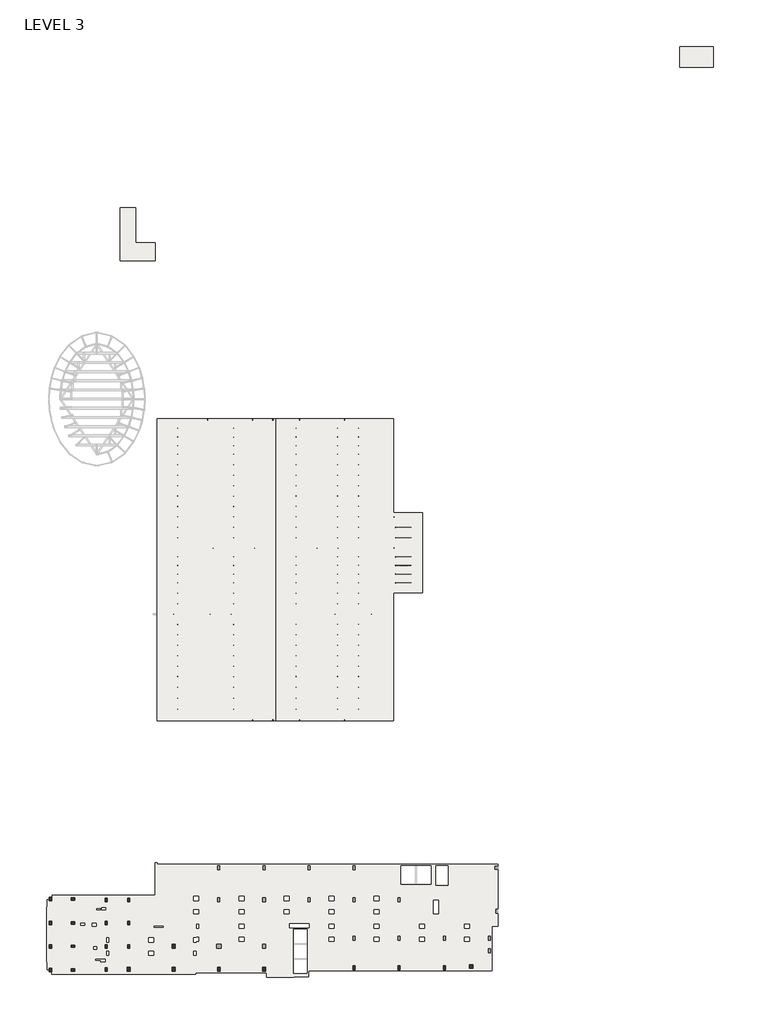
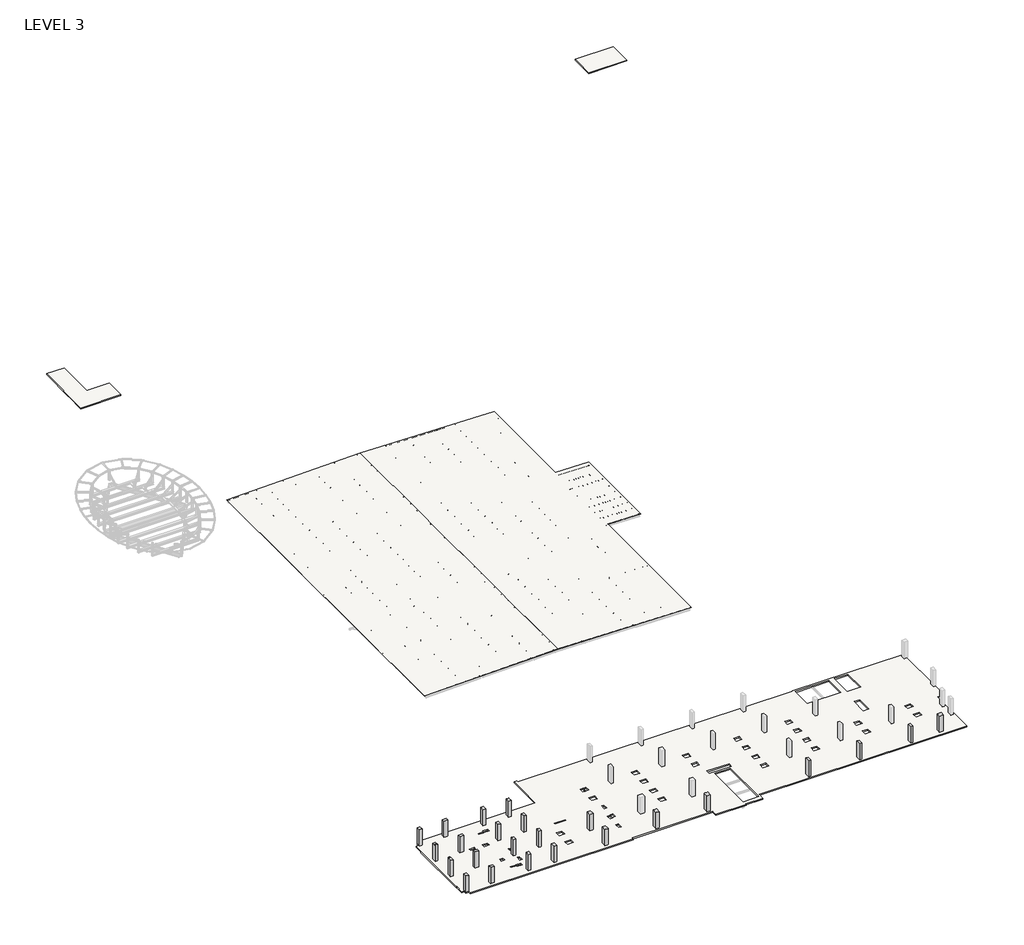
# One storey, part 1 of 4: 24 columns, 5 slabs.
"""IFC4 building model written with IfcOpenShell, lengths in millimetres."""

from ifc_helpers import new_model, si_unit, frame, origin, place, context, project, spatial, polyline, outline, extrude, faceted_brep, element, save

model = new_model("IFC4")

# Units and contexts
model_context = context("Model", 3, world=origin())
ifc_project = project(units=[si_unit("LENGTHUNIT", "METRE", prefix="MILLI")], contexts=[model_context])

# Site, building, storey
site = spatial("IfcSite", under=ifc_project)
building = spatial("IfcBuilding", under=site)
storey = spatial("IfcBuildingStorey", under=building, Name="LEVEL 3", Elevation=10363.2)

# Columns
placement = place(None, origin())
element("IfcColumn", 1, ObjectType="UC Concrete-Rectangular-Column : 14 x 28", at=placement, inside=storey, context=model_context, shape_type="SweptSolid", body=[
    extrude(outline(polyline([(56601.2389942, -32822.1107149), (56601.2389942, -33533.3107149), (56245.6389942, -33533.3107149), (56245.6389942, -32822.1107149), (56601.2389942, -32822.1107149)])), frame((0.0, 0.0, 10363.2), z_axis=(0.0, 0.0, 1.0), x_axis=(1.0, 0.0, 0.0)), (0.0, 0.0, 1.0), 2667.0),
])
element("IfcColumn", 2, ObjectType="UC Concrete-Rectangular-Column : 14 x 28", at=placement, inside=storey, context=model_context, shape_type="SweptSolid", body=[
    extrude(outline(polyline([(40751.6389942, -32822.1107149), (40751.6389942, -33533.3107149), (40396.0389942, -33533.3107149), (40396.0389942, -32822.1107149), (40751.6389942, -32822.1107149)])), frame((0.0, 0.0, 10363.2), z_axis=(0.0, 0.0, 1.0), x_axis=(1.0, 0.0, 0.0)), (0.0, 0.0, 1.0), 2667.0),
])
element("IfcColumn", 3, ObjectType="UC Concrete-Rectangular-Column : 14 x 28", at=placement, inside=storey, context=model_context, shape_type="SweptSolid", body=[
    extrude(outline(polyline([(48676.4389942, -32822.1107149), (48676.4389942, -33533.3107149), (48320.8389942, -33533.3107149), (48320.8389942, -32822.1107149), (48676.4389942, -32822.1107149)])), frame((0.0, 0.0, 10363.2), z_axis=(0.0, 0.0, 1.0), x_axis=(1.0, 0.0, 0.0)), (0.0, 0.0, 1.0), 2667.0),
])
element("IfcColumn", 4, ObjectType="UC Concrete-Rectangular-Column : 16 x 24", at=placement, inside=storey, context=model_context, shape_type="SweptSolid", body=[
    extrude(outline(polyline([(-12562.9610058, -20833.3107149), (-12562.9610058, -21442.9107149), (-12969.3610058, -21442.9107149), (-12969.3610058, -20833.3107149), (-12562.9610058, -20833.3107149)])), frame((0.0, 0.0, 10363.2), z_axis=(0.0, 0.0, 1.0), x_axis=(1.0, 0.0, 0.0)), (0.0, 0.0, 1.0), 2667.0),
])
element("IfcColumn", 5, ObjectType="UC Concrete-Rectangular-Column : 16 x 24", at=placement, inside=storey, context=model_context, shape_type="Brep", body=[
    faceted_brep([(1153.0389942, -20985.7107149, 10363.2), (1153.0389942, -21595.3107149, 10363.2), (746.6389942, -21595.3107149, 10363.2), (746.6389942, -20985.7107149, 10363.2), (1153.0389942, -20985.7107149, 12750.8), (1153.0389942, -20985.7107149, 13030.2), (1153.0389942, -21017.4903994, 13030.2), (1153.0389942, -21595.3107149, 13030.2), (746.6389942, -21595.3107149, 13030.2), (746.6389942, -20985.7107149, 13030.2), (1102.2389942, -20985.7107149, 13030.2)], [[[0, 1, 2, 3]], [[1, 0, 4, 5, 6, 7]], [[2, 1, 7, 8]], [[3, 2, 8, 9]], [[0, 3, 9, 10, 5, 4]], [[7, 6, 5, 10, 9, 8]]]),
])
element("IfcColumn", 6, ObjectType="UC Concrete-Rectangular-Column : 16 x 24", at=placement, inside=storey, context=model_context, shape_type="SweptSolid", body=[
    extrude(outline(polyline([(-9108.5610058, -20934.9107149), (-8498.9610058, -20934.9107149), (-8498.9610058, -21341.3107149), (-9108.5610058, -21341.3107149), (-9108.5610058, -20934.9107149)])), frame((0.0, 0.0, 10363.2), z_axis=(0.0, 0.0, 1.0), x_axis=(1.0, 0.0, 0.0)), (0.0, 0.0, 1.0), 2667.0),
])
element("IfcColumn", 7, ObjectType="UC Concrete-Rectangular-Column : 16 x 24", at=placement, inside=storey, context=model_context, shape_type="SweptSolid", body=[
    extrude(outline(polyline([(-9108.5610058, -25125.9107149), (-8498.9610058, -25125.9107149), (-8498.9610058, -25532.3107149), (-9108.5610058, -25532.3107149), (-9108.5610058, -25125.9107149)])), frame((0.0, 0.0, 10363.2), z_axis=(0.0, 0.0, 1.0), x_axis=(1.0, 0.0, 0.0)), (0.0, 0.0, 1.0), 2667.0),
])
element("IfcColumn", 8, ObjectType="UC Concrete-Rectangular-Column : 16 x 24", at=placement, inside=storey, context=model_context, shape_type="SweptSolid", body=[
    extrude(outline(polyline([(1153.0389942, -25024.3107149), (1153.0389942, -25633.9107149), (746.6389942, -25633.9107149), (746.6389942, -25024.3107149), (1153.0389942, -25024.3107149)])), frame((0.0, 0.0, 10363.2), z_axis=(0.0, 0.0, 1.0), x_axis=(1.0, 0.0, 0.0)), (0.0, 0.0, 1.0), 2667.0),
])
element("IfcColumn", 9, ObjectType="UC Concrete-Rectangular-Column : 16 x 24", at=placement, inside=storey, context=model_context, shape_type="SweptSolid", body=[
    extrude(outline(polyline([(-9108.5610058, -29240.7107149), (-8498.9610058, -29240.7107149), (-8498.9610058, -29647.1107149), (-9108.5610058, -29647.1107149), (-9108.5610058, -29240.7107149)])), frame((0.0, 0.0, 10363.2), z_axis=(0.0, 0.0, 1.0), x_axis=(1.0, 0.0, 0.0)), (0.0, 0.0, 1.0), 2667.0),
])
element("IfcColumn", 10, ObjectType="UC Concrete-Rectangular-Column : 16 x 24", at=placement, inside=storey, context=model_context, shape_type="SweptSolid", body=[
    extrude(outline(polyline([(1153.0389942, -29139.1107149), (1153.0389942, -29748.7107149), (746.6389942, -29748.7107149), (746.6389942, -29139.1107149), (1153.0389942, -29139.1107149)])), frame((0.0, 0.0, 10363.2), z_axis=(0.0, 0.0, 1.0), x_axis=(1.0, 0.0, 0.0)), (0.0, 0.0, 1.0), 2667.0),
])
element("IfcColumn", 11, ObjectType="UC Concrete-Rectangular-Column : 16 x 24", at=placement, inside=storey, context=model_context, shape_type="SweptSolid", body=[
    extrude(outline(polyline([(-12562.9610058, -33330.1107149), (-12562.9610058, -33939.7107149), (-12969.3610058, -33939.7107149), (-12969.3610058, -33330.1107149), (-12562.9610058, -33330.1107149)])), frame((0.0, 0.0, 10363.2), z_axis=(0.0, 0.0, 1.0), x_axis=(1.0, 0.0, 0.0)), (0.0, 0.0, 1.0), 2667.0),
])
element("IfcColumn", 12, ObjectType="UC Concrete-Rectangular-Column : 16 x 24", at=placement, inside=storey, context=model_context, shape_type="SweptSolid", body=[
    extrude(outline(polyline([(-9108.5610058, -33431.7107149), (-8498.9610058, -33431.7107149), (-8498.9610058, -33838.1107149), (-9108.5610058, -33838.1107149), (-9108.5610058, -33431.7107149)])), frame((0.0, 0.0, 10363.2), z_axis=(0.0, 0.0, 1.0), x_axis=(1.0, 0.0, 0.0)), (0.0, 0.0, 1.0), 2667.0),
])
element("IfcColumn", 13, ObjectType="UC Concrete-Rectangular-Column : 16 x 24", at=placement, inside=storey, context=model_context, shape_type="Brep", body=[
    faceted_brep([(-12562.9610058, -29139.1107149, 10363.2), (-12562.9610058, -29748.7107149, 10363.2), (-12969.3610058, -29748.7107149, 10363.2), (-12969.3610058, -29139.1107149, 10363.2), (-12562.9610058, -29139.1107149, 13030.2), (-12562.9610058, -29748.7107149, 13030.2), (-12969.3610058, -29748.7107149, 13030.2), (-12969.3610058, -29183.5607149, 13030.2), (-12969.3610058, -29183.5607149, 13208.0), (-12969.3610058, -29139.1107149, 13208.0), (-12766.1169468, -29139.1107149, 13208.0), (-12766.1169468, -29139.1107149, 13030.2), (-12766.1169468, -29183.5607149, 13208.0), (-12766.1169468, -29183.5607149, 13030.2)], [[[0, 1, 2, 3]], [[1, 0, 4, 5]], [[2, 1, 5, 6]], [[3, 2, 6, 7, 8, 9]], [[0, 3, 9, 10, 11, 4]], [[10, 9, 8, 12]], [[11, 13, 7, 6, 5, 4]], [[13, 12, 8, 7]], [[12, 13, 11, 10]]]),
])
element("IfcColumn", 14, ObjectType="UC Concrete-Rectangular-Column : 16 x 24", at=placement, inside=storey, context=model_context, shape_type="Brep", body=[
    faceted_brep([(-12562.9610058, -25024.3107149, 10363.2), (-12562.9610058, -25633.9107149, 10363.2), (-12969.3610058, -25633.9107149, 10363.2), (-12969.3610058, -25024.3107149, 10363.2), (-12562.9610058, -25024.3107149, 13030.2), (-12562.9610058, -25633.9107149, 13030.2), (-12766.1169468, -25633.9107149, 13030.2), (-12766.1169468, -25633.9107149, 13208.0), (-12969.3610058, -25633.9107149, 13208.0), (-12969.3610058, -25589.4607149, 13208.0), (-12969.3610058, -25589.4607149, 13030.2), (-12969.3610058, -25024.3107149, 13030.2), (-12766.1169468, -25589.4607149, 13208.0), (-12766.1169468, -25589.4607149, 13030.2)], [[[0, 1, 2, 3]], [[1, 0, 4, 5]], [[2, 1, 5, 6, 7, 8]], [[3, 2, 8, 9, 10, 11]], [[0, 3, 11, 4]], [[9, 8, 7, 12]], [[10, 13, 6, 5, 4, 11]], [[13, 12, 7, 6]], [[12, 13, 10, 9]]]),
])
element("IfcColumn", 15, ObjectType="UC Concrete-Rectangular-Column : 16 x 24", at=placement, inside=storey, context=model_context, shape_type="SweptSolid", body=[
    extrude(outline(polyline([(-2809.3610058, -20985.7107149), (-2809.3610058, -21595.3107149), (-3215.7610058, -21595.3107149), (-3215.7610058, -20985.7107149), (-2809.3610058, -20985.7107149)])), frame((0.0, 0.0, 10363.2), z_axis=(0.0, 0.0, 1.0), x_axis=(1.0, 0.0, 0.0)), (0.0, 0.0, 1.0), 2667.0),
])
element("IfcColumn", 16, ObjectType="UC Concrete-Rectangular-Column : 16 x 24", at=placement, inside=storey, context=model_context, shape_type="SweptSolid", body=[
    extrude(outline(polyline([(-2809.3610058, -25024.2962939), (-2809.3610058, -25633.8962939), (-3215.7610058, -25633.8962939), (-3215.7610058, -25024.2962939), (-2809.3610058, -25024.2962939)])), frame((0.0, 0.0, 10363.2), z_axis=(0.0, 0.0, 1.0), x_axis=(1.0, 0.0, 0.0)), (0.0, 0.0, 1.0), 2667.0),
])
element("IfcColumn", 17, ObjectType="UC Concrete-Rectangular-Column : 16 x 24", at=placement, inside=storey, context=model_context, shape_type="SweptSolid", body=[
    extrude(outline(polyline([(-2809.3610058, -29139.0962158), (-2809.3610058, -29748.6962158), (-3215.7610058, -29748.6962158), (-3215.7610058, -29139.0962158), (-2809.3610058, -29139.0962158)])), frame((0.0, 0.0, 10363.2), z_axis=(0.0, 0.0, 1.0), x_axis=(1.0, 0.0, 0.0)), (0.0, 0.0, 1.0), 2667.0),
])
element("IfcColumn", 18, ObjectType="UC Concrete-Rectangular-Column : 16 x 24", at=placement, inside=storey, context=model_context, shape_type="SweptSolid", body=[
    extrude(outline(polyline([(-2809.3610058, -33177.7107149), (-2809.3610058, -33787.3107149), (-3215.7610058, -33787.3107149), (-3215.7610058, -33177.7107149), (-2809.3610058, -33177.7107149)])), frame((0.0, 0.0, 10363.2), z_axis=(0.0, 0.0, 1.0), x_axis=(1.0, 0.0, 0.0)), (0.0, 0.0, 1.0), 2667.0),
])
element("IfcColumn", 19, ObjectType="UC Concrete-Rectangular-Column : 20 x 28", at=placement, inside=storey, context=model_context, shape_type="Brep", body=[
    faceted_brep([(17053.4389942, -33126.9107149, 10363.2), (17053.4389942, -33838.1107149, 10363.2), (16545.4389942, -33838.1107149, 10363.2), (16545.4389942, -33126.9107149, 10363.2), (17053.4389942, -33126.9107149, 13030.2), (17053.4389942, -33838.1107149, 13030.2), (17002.6389942, -33838.1107149, 13030.2), (16596.2389942, -33838.1107149, 13030.2), (16545.4389942, -33838.1107149, 13030.2), (16545.4389942, -33126.9107149, 13030.2), (16596.2389942, -33126.9107149, 13030.2), (17002.6389942, -33126.9107149, 13030.2)], [[[0, 1, 2, 3]], [[1, 0, 4, 5]], [[2, 1, 5, 6, 7, 8]], [[3, 2, 8, 9]], [[0, 3, 9, 10, 11, 4]], [[5, 4, 11, 10, 9, 8, 7, 6]]]),
])
element("IfcColumn", 20, ObjectType="UC Concrete-Rectangular-Column : 20 x 28", at=placement, inside=storey, context=model_context, shape_type="SweptSolid", body=[
    extrude(outline(polyline([(9128.6389942, -29088.3107149), (9128.6389942, -29799.5107149), (8620.6389942, -29799.5107149), (8620.6389942, -29088.3107149), (9128.6389942, -29088.3107149)])), frame((0.0, 0.0, 10363.2), z_axis=(0.0, 0.0, 1.0), x_axis=(1.0, 0.0, 0.0)), (0.0, 0.0, 1.0), 2667.0),
])
element("IfcColumn", 21, ObjectType="UC Concrete-Rectangular-Column : 20 x 28", at=placement, inside=storey, context=model_context, shape_type="Brep", body=[
    faceted_brep([(9128.6389942, -33126.9107149, 10363.2), (9128.6389942, -33838.1107149, 10363.2), (8620.6389942, -33838.1107149, 10363.2), (8620.6389942, -33126.9107149, 10363.2), (9128.6389942, -33126.9107149, 13030.2), (9128.6389942, -33838.1107149, 13030.2), (9077.8389942, -33838.1107149, 13030.2), (8671.4389942, -33838.1107149, 13030.2), (8620.6389942, -33838.1107149, 13030.2), (8620.6389942, -33126.9107149, 13030.2), (8671.4389942, -33126.9107149, 13030.2), (9077.8389942, -33126.9107149, 13030.2)], [[[0, 1, 2, 3]], [[1, 0, 4, 5]], [[2, 1, 5, 6, 7, 8]], [[3, 2, 8, 9]], [[0, 3, 9, 10, 11, 4]], [[5, 4, 11, 10, 9, 8, 7, 6]]]),
])
element("IfcColumn", 22, ObjectType="UC Concrete-Rectangular-Column : 20 x 28", at=placement, inside=storey, context=model_context, shape_type="Brep", body=[
    faceted_brep([(24978.2389942, -33126.9107149, 10363.2), (24978.2389942, -33838.1107149, 10363.2), (24470.2389942, -33838.1107149, 10363.2), (24470.2389942, -33126.9107149, 10363.2), (24978.2389942, -33126.9107149, 13030.2), (24978.2389942, -33838.1107149, 13030.2), (24927.4389942, -33838.1107149, 13030.2), (24521.0389942, -33838.1107149, 13030.2), (24470.2389942, -33838.1107149, 13030.2), (24470.2389942, -33126.9107149, 13030.2), (24521.0389942, -33126.9107149, 13030.2), (24927.4389942, -33126.9107149, 13030.2)], [[[0, 1, 2, 3]], [[1, 0, 4, 5]], [[2, 1, 5, 6, 7, 8]], [[3, 2, 8, 9]], [[0, 3, 9, 10, 11, 4]], [[5, 4, 11, 10, 9, 8, 7, 6]]]),
])
element("IfcColumn", 23, ObjectType="UC Concrete-Rectangular-Column : 20 x 28", at=placement, inside=storey, context=model_context, shape_type="Brep", body=[
    faceted_brep([(1203.8389942, -33126.9107149, 10363.2), (1203.8389942, -33838.1107149, 10363.2), (695.8389942, -33838.1107149, 10363.2), (695.8389942, -33126.9107149, 10363.2), (1203.8389942, -33126.9107149, 13030.2), (1203.8389942, -33838.1107149, 13030.2), (1153.0389942, -33838.1107149, 13030.2), (746.6389942, -33838.1107149, 13030.2), (695.8389942, -33838.1107149, 13030.2), (695.8389942, -33126.9107149, 13030.2), (746.6389942, -33126.9107149, 13030.2), (1153.0389942, -33126.9107149, 13030.2)], [[[0, 1, 2, 3]], [[1, 0, 4, 5]], [[2, 1, 5, 6, 7, 8]], [[3, 2, 8, 9]], [[0, 3, 9, 10, 11, 4]], [[5, 4, 11, 10, 9, 8, 7, 6]]]),
])
element("IfcColumn", 24, ObjectType="UC Concrete-Rectangular-Column : 24 x 24", at=placement, inside=storey, context=model_context, shape_type="SweptSolid", body=[
    extrude(outline(polyline([(61453.141098, -32695.1107149), (61453.141098, -33304.7107149), (60843.541098, -33304.7107149), (60843.541098, -32695.1107149), (61453.141098, -32695.1107149)])), frame((0.0, 0.0, 10363.2), z_axis=(0.0, 0.0, 1.0), x_axis=(1.0, 0.0, 0.0)), (0.0, 0.0, 1.0), 2667.0),
])

# Slabs
element("IfcSlab", 25, ObjectType="1 1/2\" Metal Roof Deck", at=placement, inside=storey, context=model_context, shape_type="Brep", body=[
    faceted_brep([(47458.8264942, 46680.8395377, 9178.6191247), (52603.9139942, 46680.8395377, 9071.7432832), (52603.9139942, 32684.5078896, 9071.7432832), (47458.8264942, 32684.5078896, 9178.6191247), (47458.8264942, 10154.6368517, 9178.6191247), (26743.1579942, 10154.6368517, 9608.9333815), (26743.1579942, 63189.8368517, 9608.9333815), (47458.8264942, 63189.8368517, 9178.6191247), (47458.8264942, 46680.8395377, 9216.7273437), (47458.8264942, 63189.8368517, 9216.7273437), (26743.1579942, 63189.8368517, 9647.0416005), (26743.1579942, 10154.6368517, 9647.0416005), (47458.8264942, 10154.6368517, 9216.7273437), (47458.8264942, 32684.5078896, 9216.7273437), (52603.9139942, 32684.5078896, 9109.8515022), (52603.9139942, 46680.8395377, 9109.8515022)], [[[0, 1, 2, 3, 4, 5, 6, 7]], [[8, 9, 10, 11, 12, 13, 14, 15]], [[5, 4, 12, 11]], [[6, 5, 11, 10]], [[7, 6, 10, 9]], [[0, 7, 9, 8]], [[1, 0, 8, 15]], [[2, 1, 15, 14]], [[3, 2, 14, 13]], [[4, 3, 13, 12]]]),
])
element("IfcSlab", 26, ObjectType="1 1/2\" Metal Roof Deck", at=placement, inside=storey, context=model_context, shape_type="SweptSolid", body=[
    extrude(outline(polyline([(9178.6191247, 5979.0389942), (9609.9398149, 26743.1579942), (9648.0480339, 26743.1579942), (9216.7273437, 5979.0389942), (9178.6191247, 5979.0389942)])), frame((0.0, 10154.6368517, 0.0), z_axis=(0.0, 1.0, 0.0), x_axis=(0.0, 0.0, 1.0)), (0.0, 0.0, 1.0), 53035.2),
])
element("IfcSlab", 27, ObjectType="6\" precast slab", at=placement, inside=storey, context=model_context, shape_type="SweptSolid", body=[
    extrude(outline(polyline([(103667.4389942, 128569.4740607), (103667.4389942, 124911.8740607), (97774.6389942, 124911.8740607), (97774.6389942, 128569.4740607), (103667.4389942, 128569.4740607)])), frame((0.0, 0.0, 9601.2), z_axis=(0.0, 0.0, 1.0), x_axis=(1.0, 0.0, 0.0)), (0.0, 0.0, 1.0), 152.4),
])
element("IfcSlab", 28, ObjectType="6\" precast slab", at=placement, inside=storey, context=model_context, shape_type="Brep", body=[
    faceted_brep([(5623.4389942, 94127.0740607, 9601.2), (5623.4389942, 90977.4740607, 9601.2), (-574.1610058, 90977.4740607, 9601.2), (-574.1610058, 94127.0740607, 9601.2), (-574.1610058, 94330.2740607, 9601.2), (-574.1610058, 100223.0740607, 9601.2), (2169.0389942, 100223.0740607, 9601.2), (2169.0389942, 94330.2740607, 9601.2), (2169.0389942, 94127.0740607, 9601.2), (5623.4389942, 94127.0740607, 9753.6), (2169.0389942, 94127.0740607, 9753.6), (2169.0389942, 100223.0740607, 9753.6), (-574.1610058, 100223.0740607, 9753.6), (-574.1610058, 90977.4740607, 9753.6), (5623.4389942, 90977.4740607, 9753.6)], [[[0, 1, 2, 3, 4, 5, 6, 7, 8]], [[9, 10, 11, 12, 13, 14]], [[1, 0, 9, 14]], [[2, 1, 14, 13]], [[5, 4, 3, 2, 13, 12]], [[0, 8, 10, 9]], [[6, 5, 12, 11]], [[8, 7, 6, 11, 10]]]),
])
element("IfcSlab", 29, ObjectType="7\" Concrete", at=placement, inside=storey, context=model_context, shape_type="Brep", body=[
    faceted_brep([(-13363.0610058, -22624.0403994, 10185.4), (-13363.0610058, -21239.7403994, 10185.4), (-12971.3013218, -21239.7403994, 10185.4), (-12971.3013218, -20833.3107149, 10185.4), (-12969.3610058, -20833.3107149, 10185.4), (-12562.9610058, -20833.3107149, 10185.4), (-12499.4610058, -20833.3107149, 10185.4), (-12499.4610058, -20484.0903994, 10185.4), (5572.6389942, -20484.0903994, 10185.4), (5572.6389942, -14737.3107149, 10185.4), (5979.0389942, -14737.3107149, 10185.4), (5979.0389942, -15054.8107149, 10185.4), (48541.5014942, -15054.8107149, 10185.4), (48541.5014942, -15029.4107149, 10185.4), (57329.9014942, -15029.4107149, 10185.4), (57329.9014942, -15054.8107149, 10185.4), (65802.3883695, -15054.8107149, 10185.4), (65802.3883695, -15348.3627877, 10185.4), (65802.3883695, -15957.9627877, 10185.4), (65802.3883695, -22916.0962939, 10185.4), (65802.3883695, -23627.2962939, 10185.4), (65802.3883695, -25894.2607149, 10185.4), (64773.6889942, -25894.2607149, 10185.4), (64773.6889942, -33774.6107149, 10185.4), (32604.5889942, -33774.6107149, 10185.4), (32604.5889942, -34790.6107149, 10185.4), (29931.2389942, -34790.6107149, 10185.4), (29931.2389942, -34917.6107149, 10185.4), (25232.2386818, -34917.6107149, 10185.4), (25232.2386818, -34104.8107149, 10185.4), (12760.8386818, -34104.8107149, 10185.4), (12760.8386818, -34346.0810305, 10185.4), (-12550.2610058, -34346.0810305, 10185.4), (-12550.2610058, -33939.7107149, 10185.4), (-12562.9610058, -33939.7107149, 10185.4), (-12969.3610058, -33939.7107149, 10185.4), (-12971.3013218, -33939.7107149, 10185.4), (-12971.3013218, -33533.2810305, 10185.4), (-13363.0610058, -33533.2810305, 10185.4), (-13363.0610058, -32148.9962548, 10185.4), (-13483.7110058, -32148.9962548, 10185.4), (-13483.7110058, -22624.0403994, 10185.4), (29912.1889942, -34181.7272222, 10185.4), (32299.7889942, -34181.7272222, 10185.4), (32299.7889942, -26487.2692077, 10185.4), (29912.1889942, -26487.2692077, 10185.4), (54078.7014942, -15334.2107149, 10185.4), (48846.3014942, -15334.2107149, 10185.4), (48846.3014942, -18511.7121146, 10185.4), (54078.7014942, -18511.7121146, 10185.4), (29123.2162484, -20696.7857149, 10185.4), (28250.0617399, -20696.7857149, 10185.4), (28250.0617399, -21427.0315227, 10185.4), (29123.2162484, -21427.0315227, 10185.4), (29123.2329503, -23011.3607149, 10185.4), (28250.045038, -23011.3607149, 10185.4), (28250.045038, -23744.7857149, 10185.4), (29123.2329503, -23744.7857149, 10185.4), (57025.1014942, -15334.2107149, 10185.4), (54933.1413578, -15334.2107149, 10185.4), (54933.1413578, -18744.1607149, 10185.4), (57025.1014942, -18744.1607149, 10185.4), (37048.0162484, -20696.7857149, 10185.4), (36174.8617399, -20696.7857149, 10185.4), (36174.8617399, -21427.0315227, 10185.4), (37048.0162484, -21427.0315227, 10185.4), (37048.0329503, -23011.3607149, 10185.4), (36174.845038, -23011.3607149, 10185.4), (36174.845038, -23744.7857149, 10185.4), (37048.0329503, -23744.7857149, 10185.4), (37048.0329503, -25541.8357149, 10185.4), (36174.8784418, -25541.8357149, 10185.4), (36174.8784418, -26272.0815227, 10185.4), (37048.0329503, -26272.0815227, 10185.4), (37048.0496522, -27856.4107149, 10185.4), (36174.8617399, -27856.4107149, 10185.4), (36174.8617399, -28589.8357149, 10185.4), (37048.0496522, -28589.8357149, 10185.4), (44972.8162484, -20696.7857149, 10185.4), (44099.6617399, -20696.7857149, 10185.4), (44099.6617399, -21427.0315227, 10185.4), (44972.8162484, -21427.0315227, 10185.4), (44972.8329503, -23011.3607149, 10185.4), (44099.645038, -23011.3607149, 10185.4), (44099.645038, -23744.7857149, 10185.4), (44972.8329503, -23744.7857149, 10185.4), (44972.8329503, -25541.8357149, 10185.4), (44099.6784418, -25541.8357149, 10185.4), (44099.6784418, -26272.0815227, 10185.4), (44972.8329503, -26272.0815227, 10185.4), (44972.8496522, -27856.4107149, 10185.4), (44099.6617399, -27856.4107149, 10185.4), (44099.6617399, -28589.8357149, 10185.4), (44972.8496522, -28589.8357149, 10185.4), (55421.7306924, -21315.9107149, 10185.4), (54513.6767085, -21315.9107149, 10185.4), (54513.6767085, -23754.3107149, 10185.4), (55421.7306924, -23754.3107149, 10185.4), (52897.6329503, -25541.8357149, 10185.4), (52024.4784418, -25541.8357149, 10185.4), (52024.4784418, -26272.0815227, 10185.4), (52897.6329503, -26272.0815227, 10185.4), (52897.6496522, -27856.4107149, 10185.4), (52024.4617399, -27856.4107149, 10185.4), (52024.4617399, -28589.8357149, 10185.4), (52897.6496522, -28589.8357149, 10185.4), (60822.4329503, -25541.8357149, 10185.4), (59949.2784418, -25541.8357149, 10185.4), (59949.2784418, -26272.0815227, 10185.4), (60822.4329503, -26272.0815227, 10185.4), (60822.4496522, -27856.4107149, 10185.4), (59949.2617399, -27856.4107149, 10185.4), (59949.2617399, -28589.8357149, 10185.4), (60822.4496522, -28589.8357149, 10185.4), (21198.4162484, -20696.7857149, 10185.4), (20325.2617399, -20696.7857149, 10185.4), (20325.2617399, -21427.0315227, 10185.4), (21198.4162484, -21427.0315227, 10185.4), (21198.4329503, -23011.3607149, 10185.4), (20325.245038, -23011.3607149, 10185.4), (20325.245038, -23744.7857149, 10185.4), (21198.4329503, -23744.7857149, 10185.4), (21198.4329503, -25540.2600871, 10185.4), (20325.245038, -25540.2600871, 10185.4), (20325.245038, -26273.6850871, 10185.4), (21198.4329503, -26273.6850871, 10185.4), (21198.4329503, -27856.4247435, 10185.4), (20325.245038, -27856.4247435, 10185.4), (20325.245038, -28589.8497435, 10185.4), (21198.4329503, -28589.8497435, 10185.4), (13273.6162484, -23011.3747435, 10185.4), (12400.4283362, -23011.3747435, 10185.4), (12400.4283362, -23744.7997435, 10185.4), (13273.6162484, -23744.7997435, 10185.4), (13273.6329503, -25549.7872435, 10185.4), (12898.9511818, -25549.7872435, 10185.4), (12898.9511818, -26283.2122435, 10185.4), (13273.6329503, -26283.2122435, 10185.4), (13273.6329503, -27858.0306162, 10185.4), (12898.9511818, -27858.0306162, 10185.4), (12898.9511818, -28591.4556162, 10185.4), (13273.6329503, -28591.4556162, 10185.4), (12775.1350013, -27980.26602, 10185.4), (12400.4532328, -27980.26602, 10185.4), (12400.4532328, -28713.69102, 10185.4), (12775.1350013, -28713.69102, 10185.4), (12775.1350013, -30296.4143396, 10185.4), (12400.4532328, -30296.4143396, 10185.4), (12400.4532328, -31029.8393396, 10185.4), (12775.1350013, -31029.8393396, 10185.4), (5348.8159361, -30296.4143396, 10185.4), (4475.6620523, -30296.4143396, 10185.4), (4475.6620523, -31029.8393396, 10185.4), (5348.8159361, -31029.8393396, 10185.4), (5348.8159361, -27981.0375273, 10185.4), (4475.6620523, -27981.0375273, 10185.4), (4475.6620523, -28714.4625273, 10185.4), (5348.8159361, -28714.4625273, 10185.4), (-4736.5860058, -25391.0377141, 10185.4), (-5495.4110058, -25391.0377141, 10185.4), (-5495.4110058, -25894.3063579, 10185.4), (-4736.5860058, -25894.3063579, 10185.4), (-2575.9840639, -30297.9899072, 10185.4), (-2936.3610058, -30297.9899072, 10185.4), (-2936.3610058, -31028.2357149, 10185.4), (-2575.9840639, -31028.2357149, 10185.4), (-2575.9673621, -27980.2327488, 10185.4), (-2936.3610058, -27980.2327488, 10185.4), (-2936.3610058, -28713.6577488, 10185.4), (-2575.9673621, -28713.6577488, 10185.4), (-3955.5318136, -31734.6434324, 10185.4), (-3955.5318136, -32129.9453743, 10185.4), (-3212.5860058, -32129.9453743, 10185.4), (-3212.5860058, -31734.6434324, 10185.4), (-7516.3006019, -25401.3473693, 10185.4), (-7516.3006019, -25776.0291377, 10185.4), (-6782.8756019, -25776.0291377, 10185.4), (-6782.8756019, -25401.3473693, 10185.4), (-3826.9323811, -22647.0361423, 10185.4), (-3826.9323811, -23021.7179107, 10185.4), (-3093.5073811, -23021.7179107, 10185.4), (-3093.5073811, -22647.0361423, 10185.4), (-4809.6068136, -31744.9675477, 10185.4), (-4809.6068136, -31933.1120762, 10185.4), (-4050.7818136, -31933.1120762, 10185.4), (-4050.7818136, -31744.9675477, 10185.4), (13273.6245994, -20696.7857149, 10185.4), (12898.9428309, -20696.7857149, 10185.4), (12898.9428309, -21427.0315227, 10185.4), (13273.6245994, -21427.0315227, 10185.4), (12775.1351575, -20696.7857149, 10185.4), (12400.453389, -20696.7857149, 10185.4), (12400.453389, -21427.0315227, 10185.4), (12775.1351575, -21427.0315227, 10185.4), (-4685.7818136, -22839.9093537, 10185.4), (-4685.7818136, -23025.6779974, 10185.4), (-3926.9568136, -23025.6779974, 10185.4), (-3926.9568136, -22839.9093537, 10185.4), (-5207.5557798, -29505.837636, 10185.4), (-5207.5557798, -29980.4953131, 10185.4), (-4708.0110058, -29980.4953131, 10185.4), (-4708.0110058, -29505.837636, 10185.4), (29254.9639942, -25513.2607149, 10185.4), (29254.9639942, -26182.4692077, 10185.4), (32693.4889942, -26182.4692077, 10185.4), (32693.4889942, -25513.2607149, 10185.4), (7044.9556867, -25881.5621481, 10185.4), (5407.1871152, -25881.5621481, 10185.4), (5407.1871152, -26084.7621481, 10185.4), (7044.9556867, -26084.7621481, 10185.4), (-13363.0610058, -21239.7403994, 10363.2), (-13363.0610058, -22624.0403994, 10363.2), (-13483.7110058, -22624.0403994, 10363.2), (-13483.7110058, -32148.9962548, 10363.2), (-13363.0610058, -32148.9962548, 10363.2), (-13363.0610058, -33533.2810305, 10363.2), (-12971.3013218, -33533.2810305, 10363.2), (-12971.3013218, -33939.7107149, 10363.2), (-12969.3610058, -33939.7107149, 10363.2), (-12562.9610058, -33939.7107149, 10363.2), (-12550.2610058, -33939.7107149, 10363.2), (-12550.2610058, -34346.0810305, 10363.2), (12760.8386818, -34346.0810305, 10363.2), (12760.8386818, -34104.8107149, 10363.2), (25232.2386818, -34104.8107149, 10363.2), (25232.2386818, -34917.6107149, 10363.2), (29931.2389942, -34917.6107149, 10363.2), (29931.2389942, -34790.6107149, 10363.2), (32604.5889942, -34790.6107149, 10363.2), (32604.5889942, -33774.6107149, 10363.2), (64773.6889942, -33774.6107149, 10363.2), (64773.6889942, -25894.2607149, 10363.2), (65802.3883695, -25894.2607149, 10363.2), (65802.3883695, -23627.2962939, 10363.2), (65802.3883695, -22916.0962939, 10363.2), (65802.3883695, -15957.9627877, 10363.2), (65802.3883695, -15348.3627877, 10363.2), (65802.3883695, -15054.8107149, 10363.2), (57329.9014942, -15054.8107149, 10363.2), (57329.9014942, -15029.4107149, 10363.2), (48541.5014942, -15029.4107149, 10363.2), (48541.5014942, -15054.8107149, 10363.2), (5979.0389942, -15054.8107149, 10363.2), (5979.0389942, -14737.3107149, 10363.2), (5572.6389942, -14737.3107149, 10363.2), (5572.6389942, -20484.0903994, 10363.2), (-12499.4610058, -20484.0903994, 10363.2), (-12499.4610058, -20833.3107149, 10363.2), (-12562.9610058, -20833.3107149, 10363.2), (-12969.3610058, -20833.3107149, 10363.2), (-12971.3013218, -20833.3107149, 10363.2), (-12971.3013218, -21239.7403994, 10363.2), (32299.7889942, -34181.7272222, 10363.2), (29912.1889942, -34181.7272222, 10363.2), (29912.1889942, -26487.2692077, 10363.2), (32299.7889942, -26487.2692077, 10363.2), (48846.3014942, -15334.2107149, 10363.2), (54078.7014942, -15334.2107149, 10363.2), (54078.7014942, -18511.7121146, 10363.2), (48846.3014942, -18511.7121146, 10363.2), (28250.0617399, -20696.7857149, 10363.2), (29123.2162484, -20696.7857149, 10363.2), (29123.2162484, -21427.0315227, 10363.2), (28250.0617399, -21427.0315227, 10363.2), (28250.045038, -23011.3607149, 10363.2), (29123.2329503, -23011.3607149, 10363.2), (29123.2329503, -23744.7857149, 10363.2), (28250.045038, -23744.7857149, 10363.2), (54933.1413578, -15334.2107149, 10363.2), (57025.1014942, -15334.2107149, 10363.2), (57025.1014942, -18744.1607149, 10363.2), (54933.1413578, -18744.1607149, 10363.2), (36174.8617399, -20696.7857149, 10363.2), (37048.0162484, -20696.7857149, 10363.2), (37048.0162484, -21427.0315227, 10363.2), (36174.8617399, -21427.0315227, 10363.2), (36174.845038, -23011.3607149, 10363.2), (37048.0329503, -23011.3607149, 10363.2), (37048.0329503, -23744.7857149, 10363.2), (36174.845038, -23744.7857149, 10363.2), (36174.8784418, -25541.8357149, 10363.2), (37048.0329503, -25541.8357149, 10363.2), (37048.0329503, -26272.0815227, 10363.2), (36174.8784418, -26272.0815227, 10363.2), (36174.8617399, -27856.4107149, 10363.2), (37048.0496522, -27856.4107149, 10363.2), (37048.0496522, -28589.8357149, 10363.2), (36174.8617399, -28589.8357149, 10363.2), (44099.6617399, -20696.7857149, 10363.2), (44972.8162484, -20696.7857149, 10363.2), (44972.8162484, -21427.0315227, 10363.2), (44099.6617399, -21427.0315227, 10363.2), (44099.645038, -23011.3607149, 10363.2), (44972.8329503, -23011.3607149, 10363.2), (44972.8329503, -23744.7857149, 10363.2), (44099.645038, -23744.7857149, 10363.2), (44099.6784418, -25541.8357149, 10363.2), (44972.8329503, -25541.8357149, 10363.2), (44972.8329503, -26272.0815227, 10363.2), (44099.6784418, -26272.0815227, 10363.2), (44099.6617399, -27856.4107149, 10363.2), (44972.8496522, -27856.4107149, 10363.2), (44972.8496522, -28589.8357149, 10363.2), (44099.6617399, -28589.8357149, 10363.2), (54513.6767085, -21315.9107149, 10363.2), (55421.7306924, -21315.9107149, 10363.2), (55421.7306924, -23754.3107149, 10363.2), (54513.6767085, -23754.3107149, 10363.2), (52024.4784418, -25541.8357149, 10363.2), (52897.6329503, -25541.8357149, 10363.2), (52897.6329503, -26272.0815227, 10363.2), (52024.4784418, -26272.0815227, 10363.2), (52024.4617399, -27856.4107149, 10363.2), (52897.6496522, -27856.4107149, 10363.2), (52897.6496522, -28589.8357149, 10363.2), (52024.4617399, -28589.8357149, 10363.2), (59949.2784418, -25541.8357149, 10363.2), (60822.4329503, -25541.8357149, 10363.2), (60822.4329503, -26272.0815227, 10363.2), (59949.2784418, -26272.0815227, 10363.2), (59949.2617399, -27856.4107149, 10363.2), (60822.4496522, -27856.4107149, 10363.2), (60822.4496522, -28589.8357149, 10363.2), (59949.2617399, -28589.8357149, 10363.2), (20325.2617399, -20696.7857149, 10363.2), (21198.4162484, -20696.7857149, 10363.2), (21198.4162484, -21427.0315227, 10363.2), (20325.2617399, -21427.0315227, 10363.2), (20325.245038, -23011.3607149, 10363.2), (21198.4329503, -23011.3607149, 10363.2), (21198.4329503, -23744.7857149, 10363.2), (20325.245038, -23744.7857149, 10363.2), (20325.245038, -25540.2600871, 10363.2), (21198.4329503, -25540.2600871, 10363.2), (21198.4329503, -26273.6850871, 10363.2), (20325.245038, -26273.6850871, 10363.2), (20325.245038, -27856.4247435, 10363.2), (21198.4329503, -27856.4247435, 10363.2), (21198.4329503, -28589.8497435, 10363.2), (20325.245038, -28589.8497435, 10363.2), (12400.4283362, -23011.3747435, 10363.2), (13273.6162484, -23011.3747435, 10363.2), (13273.6162484, -23744.7997435, 10363.2), (12400.4283362, -23744.7997435, 10363.2), (12898.9511818, -25549.7872435, 10363.2), (13273.6329503, -25549.7872435, 10363.2), (13273.6329503, -26283.2122435, 10363.2), (12898.9511818, -26283.2122435, 10363.2), (12898.9511818, -27858.0306162, 10363.2), (13273.6329503, -27858.0306162, 10363.2), (13273.6329503, -28591.4556162, 10363.2), (12898.9511818, -28591.4556162, 10363.2), (12400.4532328, -27980.26602, 10363.2), (12775.1350013, -27980.26602, 10363.2), (12775.1350013, -28713.69102, 10363.2), (12400.4532328, -28713.69102, 10363.2), (12400.4532328, -30296.4143396, 10363.2), (12775.1350013, -30296.4143396, 10363.2), (12775.1350013, -31029.8393396, 10363.2), (12400.4532328, -31029.8393396, 10363.2), (4475.6620523, -30296.4143396, 10363.2), (5348.8159361, -30296.4143396, 10363.2), (5348.8159361, -31029.8393396, 10363.2), (4475.6620523, -31029.8393396, 10363.2), (4475.6620523, -27981.0375273, 10363.2), (5348.8159361, -27981.0375273, 10363.2), (5348.8159361, -28714.4625273, 10363.2), (4475.6620523, -28714.4625273, 10363.2), (-5495.4110058, -25391.0377141, 10363.2), (-4736.5860058, -25391.0377141, 10363.2), (-4736.5860058, -25894.3063579, 10363.2), (-5495.4110058, -25894.3063579, 10363.2), (-2936.3610058, -30297.9899072, 10363.2), (-2575.9840639, -30297.9899072, 10363.2), (-2575.9840639, -31028.2357149, 10363.2), (-2936.3610058, -31028.2357149, 10363.2), (-2936.3610058, -27980.2327488, 10363.2), (-2575.9673621, -27980.2327488, 10363.2), (-2575.9673621, -28713.6577488, 10363.2), (-2936.3610058, -28713.6577488, 10363.2), (-3955.5318136, -32129.9453743, 10363.2), (-3955.5318136, -31734.6434324, 10363.2), (-3212.5860058, -31734.6434324, 10363.2), (-3212.5860058, -32129.9453743, 10363.2), (-7516.3006019, -25776.0291377, 10363.2), (-7516.3006019, -25401.3473693, 10363.2), (-6782.8756019, -25401.3473693, 10363.2), (-6782.8756019, -25776.0291377, 10363.2), (-3826.9323811, -23021.7179107, 10363.2), (-3826.9323811, -22647.0361423, 10363.2), (-3093.5073811, -22647.0361423, 10363.2), (-3093.5073811, -23021.7179107, 10363.2), (-4809.6068136, -31933.1120762, 10363.2), (-4809.6068136, -31744.9675477, 10363.2), (-4050.7818136, -31744.9675477, 10363.2), (-4050.7818136, -31933.1120762, 10363.2), (12898.9428309, -20696.7857149, 10363.2), (13273.6245994, -20696.7857149, 10363.2), (13273.6245994, -21427.0315227, 10363.2), (12898.9428309, -21427.0315227, 10363.2), (12400.453389, -20696.7857149, 10363.2), (12775.1351575, -20696.7857149, 10363.2), (12775.1351575, -21427.0315227, 10363.2), (12400.453389, -21427.0315227, 10363.2), (-4685.7818136, -23025.6779974, 10363.2), (-4685.7818136, -22839.9093537, 10363.2), (-3926.9568136, -22839.9093537, 10363.2), (-3926.9568136, -23025.6779974, 10363.2), (-5207.5557798, -29980.4953131, 10363.2), (-5207.5557798, -29505.837636, 10363.2), (-4708.0110058, -29505.837636, 10363.2), (-4708.0110058, -29980.4953131, 10363.2), (29254.9639942, -26182.4692077, 10363.2), (29254.9639942, -25513.2607149, 10363.2), (32693.4889942, -25513.2607149, 10363.2), (32693.4889942, -26182.4692077, 10363.2), (5407.1871152, -25881.5621481, 10363.2), (7044.9556867, -25881.5621481, 10363.2), (7044.9556867, -26084.7621481, 10363.2), (5407.1871152, -26084.7621481, 10363.2)], [[[0, 1, 2, 3, 4, 5, 6, 7, 8, 9, 10, 11, 12, 13, 14, 15, 16, 17, 18, 19, 20, 21, 22, 23, 24, 25, 26, 27, 28, 29, 30, 31, 32, 33, 34, 35, 36, 37, 38, 39, 40, 41], [42, 43, 44, 45], [46, 47, 48, 49], [50, 51, 52, 53], [54, 55, 56, 57], [58, 59, 60, 61], [62, 63, 64, 65], [66, 67, 68, 69], [70, 71, 72, 73], [74, 75, 76, 77], [78, 79, 80, 81], [82, 83, 84, 85], [86, 87, 88, 89], [90, 91, 92, 93], [94, 95, 96, 97], [98, 99, 100, 101], [102, 103, 104, 105], [106, 107, 108, 109], [110, 111, 112, 113], [114, 115, 116, 117], [118, 119, 120, 121], [122, 123, 124, 125], [126, 127, 128, 129], [130, 131, 132, 133], [134, 135, 136, 137], [138, 139, 140, 141], [142, 143, 144, 145], [146, 147, 148, 149], [150, 151, 152, 153], [154, 155, 156, 157], [158, 159, 160, 161], [162, 163, 164, 165], [166, 167, 168, 169], [170, 171, 172, 173], [174, 175, 176, 177], [178, 179, 180, 181], [182, 183, 184, 185], [186, 187, 188, 189], [190, 191, 192, 193], [194, 195, 196, 197], [198, 199, 200, 201], [202, 203, 204, 205], [206, 207, 208, 209]], [[210, 211, 212, 213, 214, 215, 216, 217, 218, 219, 220, 221, 222, 223, 224, 225, 226, 227, 228, 229, 230, 231, 232, 233, 234, 235, 236, 237, 238, 239, 240, 241, 242, 243, 244, 245, 246, 247, 248, 249, 250, 251], [252, 253, 254, 255], [256, 257, 258, 259], [260, 261, 262, 263], [264, 265, 266, 267], [268, 269, 270, 271], [272, 273, 274, 275], [276, 277, 278, 279], [280, 281, 282, 283], [284, 285, 286, 287], [288, 289, 290, 291], [292, 293, 294, 295], [296, 297, 298, 299], [300, 301, 302, 303], [304, 305, 306, 307], [308, 309, 310, 311], [312, 313, 314, 315], [316, 317, 318, 319], [320, 321, 322, 323], [324, 325, 326, 327], [328, 329, 330, 331], [332, 333, 334, 335], [336, 337, 338, 339], [340, 341, 342, 343], [344, 345, 346, 347], [348, 349, 350, 351], [352, 353, 354, 355], [356, 357, 358, 359], [360, 361, 362, 363], [364, 365, 366, 367], [368, 369, 370, 371], [372, 373, 374, 375], [376, 377, 378, 379], [380, 381, 382, 383], [384, 385, 386, 387], [388, 389, 390, 391], [392, 393, 394, 395], [396, 397, 398, 399], [400, 401, 402, 403], [404, 405, 406, 407], [408, 409, 410, 411], [412, 413, 414, 415], [416, 417, 418, 419]], [[42, 253, 252, 43]], [[43, 252, 255, 44]], [[44, 255, 254, 45]], [[253, 42, 45, 254]], [[46, 257, 256, 47]], [[47, 256, 259, 48]], [[48, 259, 258, 49]], [[257, 46, 49, 258]], [[50, 261, 260, 51]], [[51, 260, 263, 52]], [[52, 263, 262, 53]], [[261, 50, 53, 262]], [[54, 265, 264, 55]], [[55, 264, 267, 56]], [[56, 267, 266, 57]], [[265, 54, 57, 266]], [[1, 0, 211, 210]], [[8, 7, 246, 245]], [[9, 8, 245, 244]], [[10, 9, 244, 243]], [[16, 15, 238, 237]], [[23, 22, 231, 230]], [[24, 23, 230, 229]], [[13, 12, 241, 240]], [[14, 13, 240, 239]], [[15, 14, 239, 238]], [[25, 24, 229, 228]], [[26, 25, 228, 227]], [[2, 1, 210, 251]], [[3, 2, 251, 250]], [[6, 5, 4, 3, 250, 249, 248, 247]], [[7, 6, 247, 246]], [[21, 20, 19, 18, 17, 16, 237, 236, 235, 234, 233, 232]], [[22, 21, 232, 231]], [[33, 32, 221, 220]], [[36, 35, 34, 33, 220, 219, 218, 217]], [[37, 36, 217, 216]], [[38, 37, 216, 215]], [[39, 38, 215, 214]], [[40, 39, 214, 213]], [[41, 40, 213, 212]], [[27, 26, 227, 226]], [[28, 27, 226, 225]], [[29, 28, 225, 224]], [[30, 29, 224, 223]], [[31, 30, 223, 222]], [[32, 31, 222, 221]], [[58, 269, 268, 59]], [[59, 268, 271, 60]], [[60, 271, 270, 61]], [[269, 58, 61, 270]], [[11, 10, 243, 242]], [[12, 11, 242, 241]], [[272, 63, 62, 273]], [[63, 272, 275, 64]], [[274, 65, 64, 275]], [[273, 62, 65, 274]], [[276, 67, 66, 277]], [[67, 276, 279, 68]], [[278, 69, 68, 279]], [[277, 66, 69, 278]], [[280, 71, 70, 281]], [[71, 280, 283, 72]], [[282, 73, 72, 283]], [[281, 70, 73, 282]], [[284, 75, 74, 285]], [[75, 284, 287, 76]], [[286, 77, 76, 287]], [[285, 74, 77, 286]], [[288, 79, 78, 289]], [[79, 288, 291, 80]], [[290, 81, 80, 291]], [[289, 78, 81, 290]], [[292, 83, 82, 293]], [[83, 292, 295, 84]], [[294, 85, 84, 295]], [[293, 82, 85, 294]], [[296, 87, 86, 297]], [[87, 296, 299, 88]], [[298, 89, 88, 299]], [[297, 86, 89, 298]], [[300, 91, 90, 301]], [[91, 300, 303, 92]], [[302, 93, 92, 303]], [[301, 90, 93, 302]], [[304, 95, 94, 305]], [[95, 304, 307, 96]], [[306, 97, 96, 307]], [[305, 94, 97, 306]], [[308, 99, 98, 309]], [[99, 308, 311, 100]], [[310, 101, 100, 311]], [[309, 98, 101, 310]], [[312, 103, 102, 313]], [[103, 312, 315, 104]], [[314, 105, 104, 315]], [[313, 102, 105, 314]], [[316, 107, 106, 317]], [[107, 316, 319, 108]], [[318, 109, 108, 319]], [[317, 106, 109, 318]], [[320, 111, 110, 321]], [[111, 320, 323, 112]], [[322, 113, 112, 323]], [[321, 110, 113, 322]], [[114, 325, 324, 115]], [[115, 324, 327, 116]], [[116, 327, 326, 117]], [[325, 114, 117, 326]], [[118, 329, 328, 119]], [[119, 328, 331, 120]], [[120, 331, 330, 121]], [[329, 118, 121, 330]], [[122, 333, 332, 123]], [[123, 332, 335, 124]], [[124, 335, 334, 125]], [[333, 122, 125, 334]], [[126, 337, 336, 127]], [[127, 336, 339, 128]], [[128, 339, 338, 129]], [[337, 126, 129, 338]], [[130, 341, 340, 131]], [[131, 340, 343, 132]], [[132, 343, 342, 133]], [[341, 130, 133, 342]], [[134, 345, 344, 135]], [[135, 344, 347, 136]], [[136, 347, 346, 137]], [[345, 134, 137, 346]], [[138, 349, 348, 139]], [[139, 348, 351, 140]], [[140, 351, 350, 141]], [[349, 138, 141, 350]], [[142, 353, 352, 143]], [[143, 352, 355, 144]], [[144, 355, 354, 145]], [[353, 142, 145, 354]], [[146, 357, 356, 147]], [[147, 356, 359, 148]], [[148, 359, 358, 149]], [[357, 146, 149, 358]], [[150, 361, 360, 151]], [[151, 360, 363, 152]], [[152, 363, 362, 153]], [[361, 150, 153, 362]], [[154, 365, 364, 155]], [[155, 364, 367, 156]], [[156, 367, 366, 157]], [[365, 154, 157, 366]], [[158, 369, 368, 159]], [[159, 368, 371, 160]], [[160, 371, 370, 161]], [[369, 158, 161, 370]], [[162, 373, 372, 163]], [[163, 372, 375, 164]], [[164, 375, 374, 165]], [[373, 162, 165, 374]], [[166, 377, 376, 167]], [[167, 376, 379, 168]], [[168, 379, 378, 169]], [[377, 166, 169, 378]], [[170, 381, 380, 171]], [[171, 380, 383, 172]], [[172, 383, 382, 173]], [[381, 170, 173, 382]], [[174, 385, 384, 175]], [[175, 384, 387, 176]], [[176, 387, 386, 177]], [[385, 174, 177, 386]], [[178, 389, 388, 179]], [[179, 388, 391, 180]], [[180, 391, 390, 181]], [[389, 178, 181, 390]], [[182, 393, 392, 183]], [[183, 392, 395, 184]], [[184, 395, 394, 185]], [[393, 182, 185, 394]], [[186, 397, 396, 187]], [[187, 396, 399, 188]], [[188, 399, 398, 189]], [[397, 186, 189, 398]], [[190, 401, 400, 191]], [[191, 400, 403, 192]], [[192, 403, 402, 193]], [[401, 190, 193, 402]], [[194, 405, 404, 195]], [[195, 404, 407, 196]], [[196, 407, 406, 197]], [[405, 194, 197, 406]], [[198, 409, 408, 199]], [[199, 408, 411, 200]], [[200, 411, 410, 201]], [[409, 198, 201, 410]], [[412, 203, 202, 413]], [[203, 412, 415, 204]], [[414, 205, 204, 415]], [[413, 202, 205, 414]], [[206, 417, 416, 207]], [[207, 416, 419, 208]], [[208, 419, 418, 209]], [[417, 206, 209, 418]], [[0, 41, 212, 211]]]),
])

save(model, "model.ifc")
